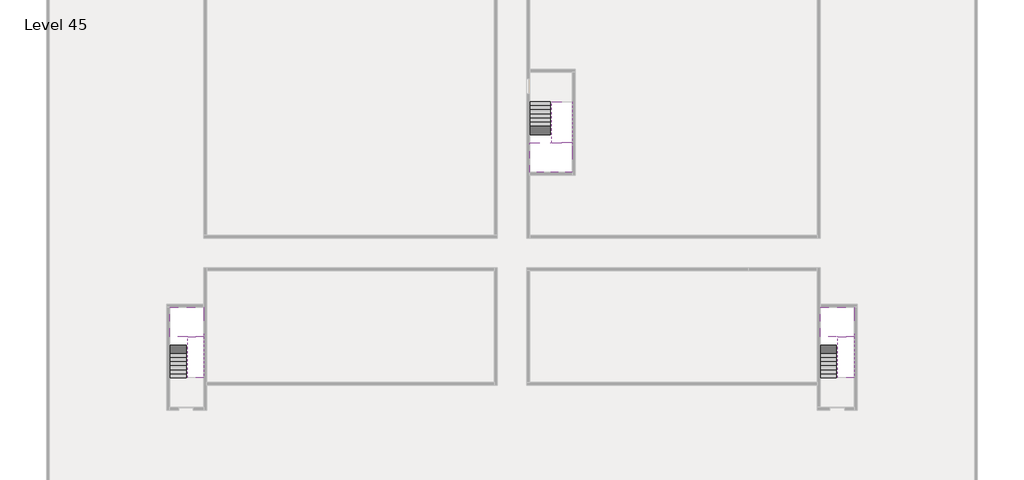
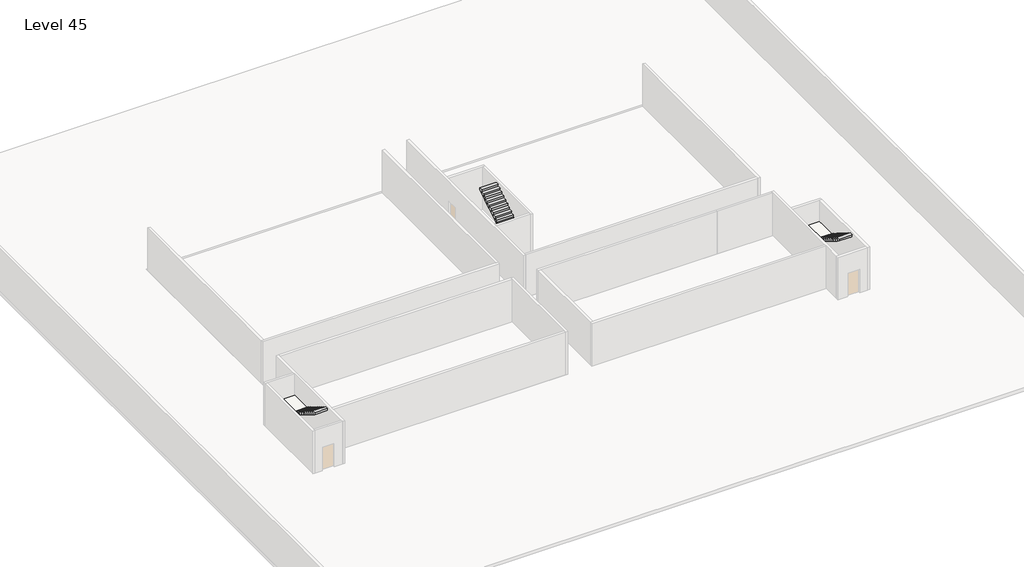
# One storey, part 2 of 2: 6 stair flights, 3 slabs.
"""IFC4 building model written with IfcOpenShell, lengths in millimetres."""

from ifc_helpers import new_model, si_unit, origin, place, context, project, spatial, faceted_brep, element, save

model = new_model("IFC4")

# Units and contexts
model_context = context("Model", 3, world=origin())
ifc_project = project(units=[si_unit("LENGTHUNIT", "METRE", prefix="MILLI")], contexts=[model_context])

# Site, building, storey
site = spatial("IfcSite", under=ifc_project)
building = spatial("IfcBuilding", under=site)
storey = spatial("IfcBuildingStorey", under=building, Name="Level 45", Elevation=167200.0)

# Slabs
placement = place(None, origin())
element("IfcSlab", 1, at=placement, inside=storey, context=model_context, shape_type="Brep", body=[
    faceted_brep([(26790.1058784, -34218.09644, 169100.0), (25390.1058784, -34218.09644, 169100.0), (25390.1058784, -34297.4828763, 169100.0), (25390.1058784, -36218.09644, 169100.0), (28290.1058784, -36218.09644, 169100.0), (28290.1058784, -34418.7100038, 169100.0), (28290.1058784, -34218.09644, 169100.0), (26890.1058784, -34218.09644, 169100.0), (26790.1058784, -34218.09644, 168800.0), (26790.1058784, -34218.09644, 168751.0278478), (25390.1058784, -34218.09644, 168751.0278478), (25390.1058784, -34218.09644, 168927.2727273), (25390.1058784, -34297.4828763, 168800.0), (25390.1058784, -36218.09644, 168800.0), (28290.1058784, -36218.09644, 168800.0), (28290.1058784, -34418.7100038, 168800.0), (28290.1058784, -34218.09644, 168923.7551205), (26890.1058784, -34218.09644, 168923.7551205), (26890.1058784, -34218.09644, 168800.0), (26890.1058784, -34418.7100038, 168800.0), (26790.1058784, -34297.4828763, 168800.0)], [[[0, 1, 2, 3, 4, 5, 6, 7]], [[1, 0, 8, 9, 10, 11]], [[1, 11, 10, 12, 13, 3, 2]], [[4, 3, 13, 14]], [[4, 14, 15, 16, 6, 5]], [[7, 6, 16, 17]], [[0, 7, 17, 18, 8]], [[18, 19, 15, 14, 13, 12, 20, 8]], [[19, 18, 17]], [[20, 12, 10, 9]], [[8, 20, 9]], [[15, 19, 17, 16]]]),
])
element("IfcSlab", 2, at=placement, inside=storey, context=model_context, shape_type="Brep", body=[
    faceted_brep([(45190.1058784, -47418.09644, 169100.0), (46290.1058784, -47418.09644, 169100.0), (46390.1058784, -47418.09644, 169100.0), (47490.1058784, -47418.09644, 169100.0), (47490.1058784, -47217.4828763, 169100.0), (47490.1058784, -45418.09644, 169100.0), (45190.1058784, -45418.09644, 169100.0), (45190.1058784, -47338.7100038, 169100.0), (45190.1058784, -47418.09644, 168927.2727273), (45190.1058784, -47418.09644, 168751.0278478), (46290.1058784, -47418.09644, 168751.0278478), (46290.1058784, -47418.09644, 168800.0), (46390.1058784, -47418.09644, 168800.0), (46390.1058784, -47418.09644, 168923.7551205), (47490.1058784, -47418.09644, 168923.7551205), (47490.1058784, -47217.4828763, 168800.0), (47490.1058784, -45418.09644, 168800.0), (45190.1058784, -45418.09644, 168800.0), (45190.1058784, -47338.7100038, 168800.0), (46390.1058784, -47217.4828763, 168800.0), (46290.1058784, -47338.7100038, 168800.0)], [[[0, 1, 2, 3, 4, 5, 6, 7]], [[1, 0, 8, 9, 10, 11]], [[2, 1, 11, 12, 13]], [[3, 2, 13, 14]], [[3, 14, 15, 16, 5, 4]], [[6, 5, 16, 17]], [[9, 8, 0, 7, 6, 17, 18]], [[19, 12, 11, 20, 18, 17, 16, 15]], [[12, 19, 13]], [[18, 20, 10, 9]], [[20, 11, 10]], [[19, 15, 14, 13]]]),
])
element("IfcSlab", 3, at=placement, inside=storey, context=model_context, shape_type="Brep", body=[
    faceted_brep([(890.1058784, -47418.09644, 169100.0), (1990.1058784, -47418.09644, 169100.0), (2090.1058784, -47418.09644, 169100.0), (3190.1058784, -47418.09644, 169100.0), (3190.1058784, -47217.4828763, 169100.0), (3190.1058784, -45418.09644, 169100.0), (890.1058784, -45418.09644, 169100.0), (890.1058784, -47338.7100038, 169100.0), (890.1058784, -47418.09644, 168927.2727273), (890.1058784, -47418.09644, 168751.0278478), (1990.1058784, -47418.09644, 168751.0278478), (1990.1058784, -47418.09644, 168800.0), (2090.1058784, -47418.09644, 168800.0), (2090.1058784, -47418.09644, 168923.7551205), (3190.1058784, -47418.09644, 168923.7551205), (3190.1058784, -47217.4828763, 168800.0), (3190.1058784, -45418.09644, 168800.0), (890.1058784, -45418.09644, 168800.0), (890.1058784, -47338.7100038, 168800.0), (2090.1058784, -47217.4828763, 168800.0), (1990.1058784, -47338.7100038, 168800.0)], [[[0, 1, 2, 3, 4, 5, 6, 7]], [[1, 0, 8, 9, 10, 11]], [[2, 1, 11, 12, 13]], [[3, 2, 13, 14]], [[3, 14, 15, 16, 5, 4]], [[6, 5, 16, 17]], [[9, 8, 0, 7, 6, 17, 18]], [[19, 12, 11, 20, 18, 17, 16, 15]], [[12, 19, 13]], [[18, 20, 10, 9]], [[20, 11, 10]], [[19, 15, 14, 13]]]),
])

# Stair flights
element("IfcStairFlight", 4, at=placement, inside=storey, context=model_context, shape_type="Brep", body=[
    faceted_brep([(26790.1058784, -31698.09644, 167372.7272727), (26790.1058784, -31418.09644, 167372.7272727), (25390.1058784, -31418.09644, 167372.7272727), (25390.1058784, -31698.09644, 167372.7272727), (26790.1058784, -31698.09644, 167200.0), (26790.1058784, -31418.09644, 167200.0), (25390.1058784, -31418.09644, 167200.0), (25390.1058784, -31698.09644, 167200.0), (26790.1058784, -31978.09644, 167545.4545455), (26790.1058784, -31698.09644, 167545.4545455), (25390.1058784, -31698.09644, 167545.4545455), (25390.1058784, -31978.09644, 167545.4545455), (26790.1058784, -31978.09644, 167369.209666), (26790.1058784, -31703.7986657, 167200.0), (25390.1058784, -31703.7986657, 167200.0), (25390.1058784, -31978.09644, 167369.209666), (26790.1058784, -32258.09644, 167718.1818182), (26790.1058784, -31978.09644, 167718.1818182), (25390.1058784, -31978.09644, 167718.1818182), (25390.1058784, -32258.09644, 167718.1818182), (26790.1058784, -32258.09644, 167541.9369387), (25390.1058784, -32258.09644, 167541.9369387), (26790.1058784, -32538.09644, 167890.9090909), (26790.1058784, -32258.09644, 167890.9090909), (25390.1058784, -32258.09644, 167890.9090909), (25390.1058784, -32538.09644, 167890.9090909), (26790.1058784, -32538.09644, 167714.6642114), (25390.1058784, -32538.09644, 167714.6642114), (26790.1058784, -32818.09644, 168063.6363636), (26790.1058784, -32538.09644, 168063.6363636), (25390.1058784, -32538.09644, 168063.6363636), (25390.1058784, -32818.09644, 168063.6363636), (26790.1058784, -32818.09644, 167887.3914841), (25390.1058784, -32818.09644, 167887.3914841), (26790.1058784, -33098.09644, 168236.3636364), (26790.1058784, -32818.09644, 168236.3636364), (25390.1058784, -32818.09644, 168236.3636364), (25390.1058784, -33098.09644, 168236.3636364), (26790.1058784, -33098.09644, 168060.1187569), (25390.1058784, -33098.09644, 168060.1187569), (26790.1058784, -33378.09644, 168409.0909091), (26790.1058784, -33098.09644, 168409.0909091), (25390.1058784, -33098.09644, 168409.0909091), (25390.1058784, -33378.09644, 168409.0909091), (26790.1058784, -33378.09644, 168232.8460296), (25390.1058784, -33378.09644, 168232.8460296), (26790.1058784, -33658.09644, 168581.8181818), (26790.1058784, -33378.09644, 168581.8181818), (25390.1058784, -33378.09644, 168581.8181818), (25390.1058784, -33658.09644, 168581.8181818), (26790.1058784, -33658.09644, 168405.5733023), (25390.1058784, -33658.09644, 168405.5733023), (26790.1058784, -33938.09644, 168754.5454545), (26790.1058784, -33658.09644, 168754.5454545), (25390.1058784, -33658.09644, 168754.5454545), (25390.1058784, -33938.09644, 168754.5454545), (26790.1058784, -33938.09644, 168578.3005751), (25390.1058784, -33938.09644, 168578.3005751), (26790.1058784, -34218.09644, 168927.2727273), (26790.1058784, -33938.09644, 168927.2727273), (25390.1058784, -33938.09644, 168927.2727273), (25390.1058784, -34218.09644, 168927.2727273), (26790.1058784, -34218.09644, 168800.0), (26790.1058784, -34218.09644, 168751.0278478), (25390.1058784, -34218.09644, 168751.0278478)], [[[0, 1, 2, 3]], [[1, 0, 4, 5]], [[2, 1, 5, 6]], [[3, 2, 6, 7]], [[8, 9, 10, 11]], [[4, 0, 9, 8, 12, 13]], [[0, 3, 10, 9]], [[3, 7, 14, 15, 11, 10]], [[16, 17, 18, 19]], [[17, 16, 20, 12, 8]], [[8, 11, 18, 17]], [[19, 18, 11, 15, 21]], [[22, 23, 24, 25]], [[23, 22, 26, 20, 16]], [[16, 19, 24, 23]], [[25, 24, 19, 21, 27]], [[28, 29, 30, 31]], [[29, 28, 32, 26, 22]], [[22, 25, 30, 29]], [[31, 30, 25, 27, 33]], [[34, 35, 36, 37]], [[35, 34, 38, 32, 28]], [[28, 31, 36, 35]], [[37, 36, 31, 33, 39]], [[40, 41, 42, 43]], [[41, 40, 44, 38, 34]], [[34, 37, 42, 41]], [[43, 42, 37, 39, 45]], [[46, 47, 48, 49]], [[47, 46, 50, 44, 40]], [[40, 43, 48, 47]], [[49, 48, 43, 45, 51]], [[52, 53, 54, 55]], [[53, 52, 56, 50, 46]], [[46, 49, 54, 53]], [[55, 54, 49, 51, 57]], [[58, 59, 60, 61]], [[59, 58, 62, 63, 56, 52]], [[52, 55, 60, 59]], [[61, 60, 55, 57, 64]], [[58, 61, 64, 63, 62]], [[5, 4, 13, 14, 7, 6]], [[14, 13, 12, 20, 26, 32, 38, 44, 50, 56, 63, 64, 57, 51, 45, 39, 33, 27, 21, 15]]]),
])
element("IfcStairFlight", 5, at=placement, inside=storey, context=model_context, shape_type="Brep", body=[
    faceted_brep([(26890.1058784, -33938.09644, 169272.7272727), (26890.1058784, -34218.09644, 169272.7272727), (28290.1058784, -34218.09644, 169272.7272727), (28290.1058784, -33938.09644, 169272.7272727), (26890.1058784, -33938.09644, 169096.4823932), (26890.1058784, -34218.09644, 168923.7551205), (28290.1058784, -34218.09644, 168923.7551205), (28290.1058784, -34218.09644, 169100.0), (28290.1058784, -33938.09644, 169096.4823932), (26890.1058784, -33658.09644, 169445.4545455), (26890.1058784, -33938.09644, 169445.4545455), (28290.1058784, -33938.09644, 169445.4545455), (28290.1058784, -33658.09644, 169445.4545455), (26890.1058784, -33658.09644, 169269.209666), (28290.1058784, -33658.09644, 169269.209666), (26890.1058784, -33378.09644, 169618.1818182), (26890.1058784, -33658.09644, 169618.1818182), (28290.1058784, -33658.09644, 169618.1818182), (28290.1058784, -33378.09644, 169618.1818182), (26890.1058784, -33378.09644, 169441.9369387), (28290.1058784, -33378.09644, 169441.9369387), (26890.1058784, -33098.09644, 169790.9090909), (26890.1058784, -33378.09644, 169790.9090909), (28290.1058784, -33378.09644, 169790.9090909), (28290.1058784, -33098.09644, 169790.9090909), (26890.1058784, -33098.09644, 169614.6642114), (28290.1058784, -33098.09644, 169614.6642114), (26890.1058784, -32818.09644, 169963.6363636), (26890.1058784, -33098.09644, 169963.6363636), (28290.1058784, -33098.09644, 169963.6363636), (28290.1058784, -32818.09644, 169963.6363636), (26890.1058784, -32818.09644, 169787.3914841), (28290.1058784, -32818.09644, 169787.3914841), (26890.1058784, -32538.09644, 170136.3636364), (26890.1058784, -32818.09644, 170136.3636364), (28290.1058784, -32818.09644, 170136.3636364), (28290.1058784, -32538.09644, 170136.3636364), (26890.1058784, -32538.09644, 169960.1187569), (28290.1058784, -32538.09644, 169960.1187569), (26890.1058784, -32258.09644, 170309.0909091), (26890.1058784, -32538.09644, 170309.0909091), (28290.1058784, -32538.09644, 170309.0909091), (28290.1058784, -32258.09644, 170309.0909091), (26890.1058784, -32258.09644, 170132.8460296), (28290.1058784, -32258.09644, 170132.8460296), (26890.1058784, -31978.09644, 170481.8181818), (26890.1058784, -32258.09644, 170481.8181818), (28290.1058784, -32258.09644, 170481.8181818), (28290.1058784, -31978.09644, 170481.8181818), (26890.1058784, -31978.09644, 170305.5733023), (28290.1058784, -31978.09644, 170305.5733023), (26890.1058784, -31698.09644, 170654.5454545), (26890.1058784, -31978.09644, 170654.5454545), (28290.1058784, -31978.09644, 170654.5454545), (28290.1058784, -31698.09644, 170654.5454545), (26890.1058784, -31698.09644, 170478.3005751), (28290.1058784, -31698.09644, 170478.3005751), (26890.1058784, -31418.09644, 170827.2727273), (26890.1058784, -31698.09644, 170827.2727273), (28290.1058784, -31698.09644, 170827.2727273), (28290.1058784, -31418.09644, 170827.2727273), (26890.1058784, -31418.09644, 170651.0278478), (28290.1058784, -31418.09644, 170651.0278478)], [[[0, 1, 2, 3]], [[1, 0, 4, 5]], [[2, 1, 5, 6, 7]], [[3, 2, 7, 6, 8]], [[9, 10, 11, 12]], [[10, 9, 13, 4, 0]], [[11, 10, 0, 3]], [[12, 11, 3, 8, 14]], [[15, 16, 17, 18]], [[16, 15, 19, 13, 9]], [[17, 16, 9, 12]], [[18, 17, 12, 14, 20]], [[21, 22, 23, 24]], [[22, 21, 25, 19, 15]], [[23, 22, 15, 18]], [[24, 23, 18, 20, 26]], [[27, 28, 29, 30]], [[28, 27, 31, 25, 21]], [[29, 28, 21, 24]], [[30, 29, 24, 26, 32]], [[33, 34, 35, 36]], [[34, 33, 37, 31, 27]], [[35, 34, 27, 30]], [[36, 35, 30, 32, 38]], [[39, 40, 41, 42]], [[40, 39, 43, 37, 33]], [[41, 40, 33, 36]], [[42, 41, 36, 38, 44]], [[45, 46, 47, 48]], [[46, 45, 49, 43, 39]], [[47, 46, 39, 42]], [[48, 47, 42, 44, 50]], [[51, 52, 53, 54]], [[52, 51, 55, 49, 45]], [[53, 52, 45, 48]], [[54, 53, 48, 50, 56]], [[57, 58, 59, 60]], [[58, 57, 61, 55, 51]], [[59, 58, 51, 54]], [[60, 59, 54, 56, 62]], [[57, 60, 62, 61]], [[5, 4, 13, 19, 25, 31, 37, 43, 49, 55, 61, 62, 56, 50, 44, 38, 32, 26, 20, 14, 8, 6]]]),
])
element("IfcStairFlight", 6, at=placement, inside=storey, context=model_context, shape_type="Brep", body=[
    faceted_brep([(45190.1058784, -49938.09644, 167372.7272727), (45190.1058784, -50218.09644, 167372.7272727), (46290.1058784, -50218.09644, 167372.7272727), (46290.1058784, -49938.09644, 167372.7272727), (45190.1058784, -49938.09644, 167200.0), (45190.1058784, -50218.09644, 167200.0), (46290.1058784, -50218.09644, 167200.0), (46290.1058784, -49938.09644, 167200.0), (45190.1058784, -49658.09644, 167545.4545455), (45190.1058784, -49938.09644, 167545.4545455), (46290.1058784, -49938.09644, 167545.4545455), (46290.1058784, -49658.09644, 167545.4545455), (45190.1058784, -49658.09644, 167369.209666), (45190.1058784, -49932.3942143, 167200.0), (46290.1058784, -49932.3942143, 167200.0), (46290.1058784, -49658.09644, 167369.209666), (45190.1058784, -49378.09644, 167718.1818182), (45190.1058784, -49658.09644, 167718.1818182), (46290.1058784, -49658.09644, 167718.1818182), (46290.1058784, -49378.09644, 167718.1818182), (45190.1058784, -49378.09644, 167541.9369387), (46290.1058784, -49378.09644, 167541.9369387), (45190.1058784, -49098.09644, 167890.9090909), (45190.1058784, -49378.09644, 167890.9090909), (46290.1058784, -49378.09644, 167890.9090909), (46290.1058784, -49098.09644, 167890.9090909), (45190.1058784, -49098.09644, 167714.6642114), (46290.1058784, -49098.09644, 167714.6642114), (45190.1058784, -48818.09644, 168063.6363636), (45190.1058784, -49098.09644, 168063.6363636), (46290.1058784, -49098.09644, 168063.6363636), (46290.1058784, -48818.09644, 168063.6363636), (45190.1058784, -48818.09644, 167887.3914841), (46290.1058784, -48818.09644, 167887.3914841), (45190.1058784, -48538.09644, 168236.3636364), (45190.1058784, -48818.09644, 168236.3636364), (46290.1058784, -48818.09644, 168236.3636364), (46290.1058784, -48538.09644, 168236.3636364), (45190.1058784, -48538.09644, 168060.1187569), (46290.1058784, -48538.09644, 168060.1187569), (45190.1058784, -48258.09644, 168409.0909091), (45190.1058784, -48538.09644, 168409.0909091), (46290.1058784, -48538.09644, 168409.0909091), (46290.1058784, -48258.09644, 168409.0909091), (45190.1058784, -48258.09644, 168232.8460296), (46290.1058784, -48258.09644, 168232.8460296), (45190.1058784, -47978.09644, 168581.8181818), (45190.1058784, -48258.09644, 168581.8181818), (46290.1058784, -48258.09644, 168581.8181818), (46290.1058784, -47978.09644, 168581.8181818), (45190.1058784, -47978.09644, 168405.5733023), (46290.1058784, -47978.09644, 168405.5733023), (45190.1058784, -47698.09644, 168754.5454545), (45190.1058784, -47978.09644, 168754.5454545), (46290.1058784, -47978.09644, 168754.5454545), (46290.1058784, -47698.09644, 168754.5454545), (45190.1058784, -47698.09644, 168578.3005751), (46290.1058784, -47698.09644, 168578.3005751), (45190.1058784, -47418.09644, 168927.2727273), (45190.1058784, -47698.09644, 168927.2727273), (46290.1058784, -47698.09644, 168927.2727273), (46290.1058784, -47418.09644, 168927.2727273), (45190.1058784, -47418.09644, 168751.0278478), (46290.1058784, -47418.09644, 168751.0278478), (46290.1058784, -47418.09644, 168800.0)], [[[0, 1, 2, 3]], [[1, 0, 4, 5]], [[2, 1, 5, 6]], [[3, 2, 6, 7]], [[8, 9, 10, 11]], [[4, 0, 9, 8, 12, 13]], [[0, 3, 10, 9]], [[3, 7, 14, 15, 11, 10]], [[16, 17, 18, 19]], [[17, 16, 20, 12, 8]], [[8, 11, 18, 17]], [[19, 18, 11, 15, 21]], [[22, 23, 24, 25]], [[23, 22, 26, 20, 16]], [[16, 19, 24, 23]], [[25, 24, 19, 21, 27]], [[28, 29, 30, 31]], [[29, 28, 32, 26, 22]], [[22, 25, 30, 29]], [[31, 30, 25, 27, 33]], [[34, 35, 36, 37]], [[35, 34, 38, 32, 28]], [[28, 31, 36, 35]], [[37, 36, 31, 33, 39]], [[40, 41, 42, 43]], [[41, 40, 44, 38, 34]], [[34, 37, 42, 41]], [[43, 42, 37, 39, 45]], [[46, 47, 48, 49]], [[47, 46, 50, 44, 40]], [[40, 43, 48, 47]], [[49, 48, 43, 45, 51]], [[52, 53, 54, 55]], [[53, 52, 56, 50, 46]], [[46, 49, 54, 53]], [[55, 54, 49, 51, 57]], [[58, 59, 60, 61]], [[59, 58, 62, 56, 52]], [[52, 55, 60, 59]], [[61, 60, 55, 57, 63, 64]], [[58, 61, 64, 63, 62]], [[5, 4, 13, 14, 7, 6]], [[14, 13, 12, 20, 26, 32, 38, 44, 50, 56, 62, 63, 57, 51, 45, 39, 33, 27, 21, 15]]]),
])
element("IfcStairFlight", 7, at=placement, inside=storey, context=model_context, shape_type="Brep", body=[
    faceted_brep([(47490.1058784, -47698.09644, 169272.7272727), (47490.1058784, -47418.09644, 169272.7272727), (46390.1058784, -47418.09644, 169272.7272727), (46390.1058784, -47698.09644, 169272.7272727), (47490.1058784, -47698.09644, 169096.4823932), (47490.1058784, -47418.09644, 168923.7551205), (47490.1058784, -47418.09644, 169100.0), (46390.1058784, -47418.09644, 168923.7551205), (46390.1058784, -47698.09644, 169096.4823932), (47490.1058784, -47978.09644, 169445.4545455), (47490.1058784, -47698.09644, 169445.4545455), (46390.1058784, -47698.09644, 169445.4545455), (46390.1058784, -47978.09644, 169445.4545455), (47490.1058784, -47978.09644, 169269.209666), (46390.1058784, -47978.09644, 169269.209666), (47490.1058784, -48258.09644, 169618.1818182), (47490.1058784, -47978.09644, 169618.1818182), (46390.1058784, -47978.09644, 169618.1818182), (46390.1058784, -48258.09644, 169618.1818182), (47490.1058784, -48258.09644, 169441.9369387), (46390.1058784, -48258.09644, 169441.9369387), (47490.1058784, -48538.09644, 169790.9090909), (47490.1058784, -48258.09644, 169790.9090909), (46390.1058784, -48258.09644, 169790.9090909), (46390.1058784, -48538.09644, 169790.9090909), (47490.1058784, -48538.09644, 169614.6642114), (46390.1058784, -48538.09644, 169614.6642114), (47490.1058784, -48818.09644, 169963.6363636), (47490.1058784, -48538.09644, 169963.6363636), (46390.1058784, -48538.09644, 169963.6363636), (46390.1058784, -48818.09644, 169963.6363636), (47490.1058784, -48818.09644, 169787.3914841), (46390.1058784, -48818.09644, 169787.3914841), (47490.1058784, -49098.09644, 170136.3636364), (47490.1058784, -48818.09644, 170136.3636364), (46390.1058784, -48818.09644, 170136.3636364), (46390.1058784, -49098.09644, 170136.3636364), (47490.1058784, -49098.09644, 169960.1187569), (46390.1058784, -49098.09644, 169960.1187569), (47490.1058784, -49378.09644, 170309.0909091), (47490.1058784, -49098.09644, 170309.0909091), (46390.1058784, -49098.09644, 170309.0909091), (46390.1058784, -49378.09644, 170309.0909091), (47490.1058784, -49378.09644, 170132.8460296), (46390.1058784, -49378.09644, 170132.8460296), (47490.1058784, -49658.09644, 170481.8181818), (47490.1058784, -49378.09644, 170481.8181818), (46390.1058784, -49378.09644, 170481.8181818), (46390.1058784, -49658.09644, 170481.8181818), (47490.1058784, -49658.09644, 170305.5733023), (46390.1058784, -49658.09644, 170305.5733023), (47490.1058784, -49938.09644, 170654.5454545), (47490.1058784, -49658.09644, 170654.5454545), (46390.1058784, -49658.09644, 170654.5454545), (46390.1058784, -49938.09644, 170654.5454545), (47490.1058784, -49938.09644, 170478.3005751), (46390.1058784, -49938.09644, 170478.3005751), (47490.1058784, -50218.09644, 170827.2727273), (47490.1058784, -49938.09644, 170827.2727273), (46390.1058784, -49938.09644, 170827.2727273), (46390.1058784, -50218.09644, 170827.2727273), (47490.1058784, -50218.09644, 170651.0278478), (46390.1058784, -50218.09644, 170651.0278478)], [[[0, 1, 2, 3]], [[1, 0, 4, 5, 6]], [[2, 1, 6, 5, 7]], [[3, 2, 7, 8]], [[9, 10, 11, 12]], [[10, 9, 13, 4, 0]], [[11, 10, 0, 3]], [[12, 11, 3, 8, 14]], [[15, 16, 17, 18]], [[16, 15, 19, 13, 9]], [[17, 16, 9, 12]], [[18, 17, 12, 14, 20]], [[21, 22, 23, 24]], [[22, 21, 25, 19, 15]], [[23, 22, 15, 18]], [[24, 23, 18, 20, 26]], [[27, 28, 29, 30]], [[28, 27, 31, 25, 21]], [[29, 28, 21, 24]], [[30, 29, 24, 26, 32]], [[33, 34, 35, 36]], [[34, 33, 37, 31, 27]], [[35, 34, 27, 30]], [[36, 35, 30, 32, 38]], [[39, 40, 41, 42]], [[40, 39, 43, 37, 33]], [[41, 40, 33, 36]], [[42, 41, 36, 38, 44]], [[45, 46, 47, 48]], [[46, 45, 49, 43, 39]], [[47, 46, 39, 42]], [[48, 47, 42, 44, 50]], [[51, 52, 53, 54]], [[52, 51, 55, 49, 45]], [[53, 52, 45, 48]], [[54, 53, 48, 50, 56]], [[57, 58, 59, 60]], [[58, 57, 61, 55, 51]], [[59, 58, 51, 54]], [[60, 59, 54, 56, 62]], [[57, 60, 62, 61]], [[5, 4, 13, 19, 25, 31, 37, 43, 49, 55, 61, 62, 56, 50, 44, 38, 32, 26, 20, 14, 8, 7]]]),
])
element("IfcStairFlight", 8, at=placement, inside=storey, context=model_context, shape_type="Brep", body=[
    faceted_brep([(890.1058784, -49938.09644, 167372.7272727), (890.1058784, -50218.09644, 167372.7272727), (1990.1058784, -50218.09644, 167372.7272727), (1990.1058784, -49938.09644, 167372.7272727), (890.1058784, -49938.09644, 167200.0), (890.1058784, -50218.09644, 167200.0), (1990.1058784, -50218.09644, 167200.0), (1990.1058784, -49938.09644, 167200.0), (890.1058784, -49658.09644, 167545.4545455), (890.1058784, -49938.09644, 167545.4545455), (1990.1058784, -49938.09644, 167545.4545455), (1990.1058784, -49658.09644, 167545.4545455), (890.1058784, -49658.09644, 167369.209666), (890.1058784, -49932.3942143, 167200.0), (1990.1058784, -49932.3942143, 167200.0), (1990.1058784, -49658.09644, 167369.209666), (890.1058784, -49378.09644, 167718.1818182), (890.1058784, -49658.09644, 167718.1818182), (1990.1058784, -49658.09644, 167718.1818182), (1990.1058784, -49378.09644, 167718.1818182), (890.1058784, -49378.09644, 167541.9369387), (1990.1058784, -49378.09644, 167541.9369387), (890.1058784, -49098.09644, 167890.9090909), (890.1058784, -49378.09644, 167890.9090909), (1990.1058784, -49378.09644, 167890.9090909), (1990.1058784, -49098.09644, 167890.9090909), (890.1058784, -49098.09644, 167714.6642114), (1990.1058784, -49098.09644, 167714.6642114), (890.1058784, -48818.09644, 168063.6363636), (890.1058784, -49098.09644, 168063.6363636), (1990.1058784, -49098.09644, 168063.6363636), (1990.1058784, -48818.09644, 168063.6363636), (890.1058784, -48818.09644, 167887.3914841), (1990.1058784, -48818.09644, 167887.3914841), (890.1058784, -48538.09644, 168236.3636364), (890.1058784, -48818.09644, 168236.3636364), (1990.1058784, -48818.09644, 168236.3636364), (1990.1058784, -48538.09644, 168236.3636364), (890.1058784, -48538.09644, 168060.1187569), (1990.1058784, -48538.09644, 168060.1187569), (890.1058784, -48258.09644, 168409.0909091), (890.1058784, -48538.09644, 168409.0909091), (1990.1058784, -48538.09644, 168409.0909091), (1990.1058784, -48258.09644, 168409.0909091), (890.1058784, -48258.09644, 168232.8460296), (1990.1058784, -48258.09644, 168232.8460296), (890.1058784, -47978.09644, 168581.8181818), (890.1058784, -48258.09644, 168581.8181818), (1990.1058784, -48258.09644, 168581.8181818), (1990.1058784, -47978.09644, 168581.8181818), (890.1058784, -47978.09644, 168405.5733023), (1990.1058784, -47978.09644, 168405.5733023), (890.1058784, -47698.09644, 168754.5454545), (890.1058784, -47978.09644, 168754.5454545), (1990.1058784, -47978.09644, 168754.5454545), (1990.1058784, -47698.09644, 168754.5454545), (890.1058784, -47698.09644, 168578.3005751), (1990.1058784, -47698.09644, 168578.3005751), (890.1058784, -47418.09644, 168927.2727273), (890.1058784, -47698.09644, 168927.2727273), (1990.1058784, -47698.09644, 168927.2727273), (1990.1058784, -47418.09644, 168927.2727273), (890.1058784, -47418.09644, 168751.0278478), (1990.1058784, -47418.09644, 168751.0278478), (1990.1058784, -47418.09644, 168800.0)], [[[0, 1, 2, 3]], [[1, 0, 4, 5]], [[2, 1, 5, 6]], [[3, 2, 6, 7]], [[8, 9, 10, 11]], [[4, 0, 9, 8, 12, 13]], [[0, 3, 10, 9]], [[3, 7, 14, 15, 11, 10]], [[16, 17, 18, 19]], [[17, 16, 20, 12, 8]], [[8, 11, 18, 17]], [[19, 18, 11, 15, 21]], [[22, 23, 24, 25]], [[23, 22, 26, 20, 16]], [[16, 19, 24, 23]], [[25, 24, 19, 21, 27]], [[28, 29, 30, 31]], [[29, 28, 32, 26, 22]], [[22, 25, 30, 29]], [[31, 30, 25, 27, 33]], [[34, 35, 36, 37]], [[35, 34, 38, 32, 28]], [[28, 31, 36, 35]], [[37, 36, 31, 33, 39]], [[40, 41, 42, 43]], [[41, 40, 44, 38, 34]], [[34, 37, 42, 41]], [[43, 42, 37, 39, 45]], [[46, 47, 48, 49]], [[47, 46, 50, 44, 40]], [[40, 43, 48, 47]], [[49, 48, 43, 45, 51]], [[52, 53, 54, 55]], [[53, 52, 56, 50, 46]], [[46, 49, 54, 53]], [[55, 54, 49, 51, 57]], [[58, 59, 60, 61]], [[59, 58, 62, 56, 52]], [[52, 55, 60, 59]], [[61, 60, 55, 57, 63, 64]], [[58, 61, 64, 63, 62]], [[5, 4, 13, 14, 7, 6]], [[14, 13, 12, 20, 26, 32, 38, 44, 50, 56, 62, 63, 57, 51, 45, 39, 33, 27, 21, 15]]]),
])
element("IfcStairFlight", 9, at=placement, inside=storey, context=model_context, shape_type="Brep", body=[
    faceted_brep([(3190.1058784, -47698.09644, 169272.7272727), (3190.1058784, -47418.09644, 169272.7272727), (2090.1058784, -47418.09644, 169272.7272727), (2090.1058784, -47698.09644, 169272.7272727), (3190.1058784, -47698.09644, 169096.4823932), (3190.1058784, -47418.09644, 168923.7551205), (3190.1058784, -47418.09644, 169100.0), (2090.1058784, -47418.09644, 168923.7551205), (2090.1058784, -47698.09644, 169096.4823932), (3190.1058784, -47978.09644, 169445.4545455), (3190.1058784, -47698.09644, 169445.4545455), (2090.1058784, -47698.09644, 169445.4545455), (2090.1058784, -47978.09644, 169445.4545455), (3190.1058784, -47978.09644, 169269.209666), (2090.1058784, -47978.09644, 169269.209666), (3190.1058784, -48258.09644, 169618.1818182), (3190.1058784, -47978.09644, 169618.1818182), (2090.1058784, -47978.09644, 169618.1818182), (2090.1058784, -48258.09644, 169618.1818182), (3190.1058784, -48258.09644, 169441.9369387), (2090.1058784, -48258.09644, 169441.9369387), (3190.1058784, -48538.09644, 169790.9090909), (3190.1058784, -48258.09644, 169790.9090909), (2090.1058784, -48258.09644, 169790.9090909), (2090.1058784, -48538.09644, 169790.9090909), (3190.1058784, -48538.09644, 169614.6642114), (2090.1058784, -48538.09644, 169614.6642114), (3190.1058784, -48818.09644, 169963.6363636), (3190.1058784, -48538.09644, 169963.6363636), (2090.1058784, -48538.09644, 169963.6363636), (2090.1058784, -48818.09644, 169963.6363636), (3190.1058784, -48818.09644, 169787.3914841), (2090.1058784, -48818.09644, 169787.3914841), (3190.1058784, -49098.09644, 170136.3636364), (3190.1058784, -48818.09644, 170136.3636364), (2090.1058784, -48818.09644, 170136.3636364), (2090.1058784, -49098.09644, 170136.3636364), (3190.1058784, -49098.09644, 169960.1187569), (2090.1058784, -49098.09644, 169960.1187569), (3190.1058784, -49378.09644, 170309.0909091), (3190.1058784, -49098.09644, 170309.0909091), (2090.1058784, -49098.09644, 170309.0909091), (2090.1058784, -49378.09644, 170309.0909091), (3190.1058784, -49378.09644, 170132.8460296), (2090.1058784, -49378.09644, 170132.8460296), (3190.1058784, -49658.09644, 170481.8181818), (3190.1058784, -49378.09644, 170481.8181818), (2090.1058784, -49378.09644, 170481.8181818), (2090.1058784, -49658.09644, 170481.8181818), (3190.1058784, -49658.09644, 170305.5733023), (2090.1058784, -49658.09644, 170305.5733023), (3190.1058784, -49938.09644, 170654.5454545), (3190.1058784, -49658.09644, 170654.5454545), (2090.1058784, -49658.09644, 170654.5454545), (2090.1058784, -49938.09644, 170654.5454545), (3190.1058784, -49938.09644, 170478.3005751), (2090.1058784, -49938.09644, 170478.3005751), (3190.1058784, -50218.09644, 170827.2727273), (3190.1058784, -49938.09644, 170827.2727273), (2090.1058784, -49938.09644, 170827.2727273), (2090.1058784, -50218.09644, 170827.2727273), (3190.1058784, -50218.09644, 170651.0278478), (2090.1058784, -50218.09644, 170651.0278478)], [[[0, 1, 2, 3]], [[1, 0, 4, 5, 6]], [[2, 1, 6, 5, 7]], [[3, 2, 7, 8]], [[9, 10, 11, 12]], [[10, 9, 13, 4, 0]], [[11, 10, 0, 3]], [[12, 11, 3, 8, 14]], [[15, 16, 17, 18]], [[16, 15, 19, 13, 9]], [[17, 16, 9, 12]], [[18, 17, 12, 14, 20]], [[21, 22, 23, 24]], [[22, 21, 25, 19, 15]], [[23, 22, 15, 18]], [[24, 23, 18, 20, 26]], [[27, 28, 29, 30]], [[28, 27, 31, 25, 21]], [[29, 28, 21, 24]], [[30, 29, 24, 26, 32]], [[33, 34, 35, 36]], [[34, 33, 37, 31, 27]], [[35, 34, 27, 30]], [[36, 35, 30, 32, 38]], [[39, 40, 41, 42]], [[40, 39, 43, 37, 33]], [[41, 40, 33, 36]], [[42, 41, 36, 38, 44]], [[45, 46, 47, 48]], [[46, 45, 49, 43, 39]], [[47, 46, 39, 42]], [[48, 47, 42, 44, 50]], [[51, 52, 53, 54]], [[52, 51, 55, 49, 45]], [[53, 52, 45, 48]], [[54, 53, 48, 50, 56]], [[57, 58, 59, 60]], [[58, 57, 61, 55, 51]], [[59, 58, 51, 54]], [[60, 59, 54, 56, 62]], [[57, 60, 62, 61]], [[5, 4, 13, 19, 25, 31, 37, 43, 49, 55, 61, 62, 56, 50, 44, 38, 32, 26, 20, 14, 8, 7]]]),
])

save(model, "model.ifc")
